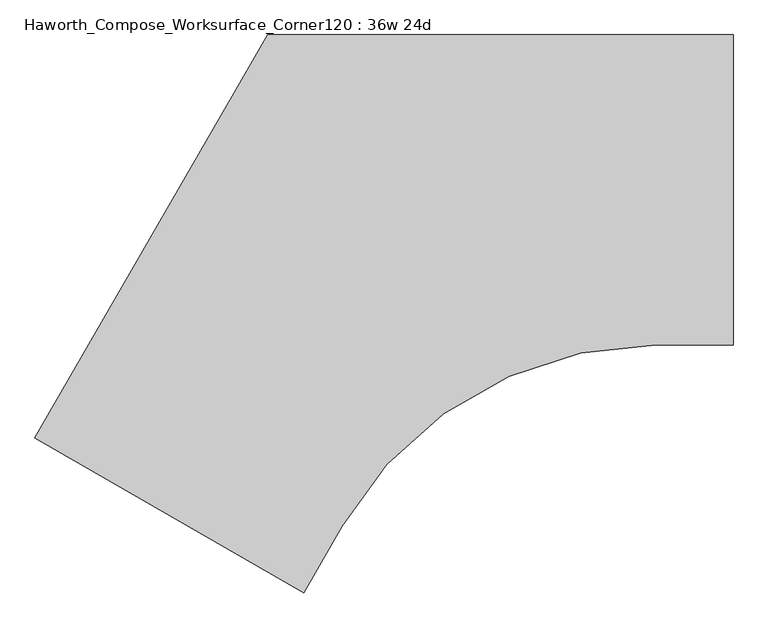
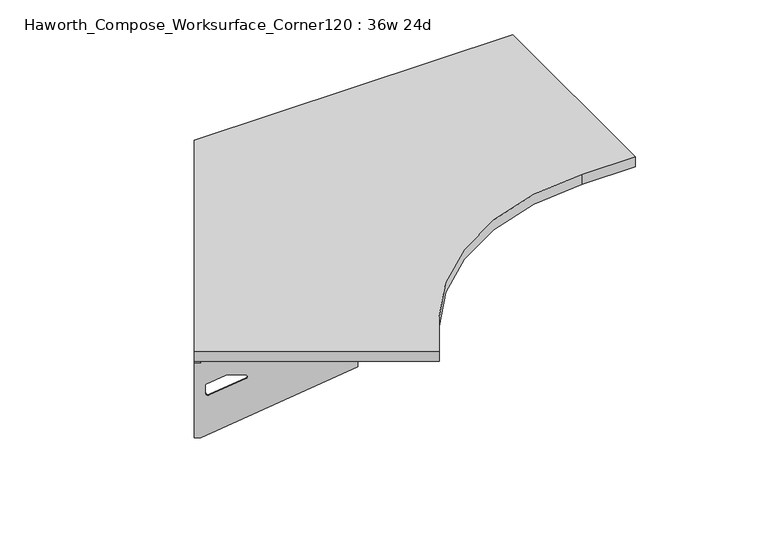
"""IFC4 building model written with IfcOpenShell, lengths in millimetres: furniture geometry, Haworth_Compose_Worksurface_Corner120 : 36w 24d."""

from ifc_helpers import new_model, si_unit, point, frame, frame_2d, origin, place, context, project, spatial, polyline, circle_curve, trimmed, segment, composite_curve, outline, extrude, source, transform, mapped, element, save
from ifc_brep_helpers import plane_surface, revolved_surface, advanced_brep


def haworth_compose_worksurface_corner120_36w_24d_b1cb4fd3(model_context):
    return source(origin(), model_context, "Body", "SolidModel", [
        advanced_brep(
        [(150.01875, 304.8, 473.86875), (150.01875, 288.925, 473.86875), (150.01875, -101.6, 690.1317568), (150.01875, -101.6, 702.46875), (150.01875, 288.925, 702.46875), (150.01875, 304.8, 702.46875), (150.01875, 221.490072, 664.36875), (150.01875, 177.8355284, 664.36875), (150.01875, 175.1564235, 654.7830539), (150.01875, 266.8776173, 603.9901439), (150.01875, 276.225, 609.5881969), (150.01875, 276.225, 633.0985246), (150.01875, 274.4730055, 635.9367776), (150.01875, 224.5663437, 663.5738425), (152.4, 304.8, 473.86875), (152.4, 304.8, 702.46875), (152.4, 288.925, 702.46875), (152.4, 288.925, 704.85), (152.4, -101.6, 704.85), (152.4, -101.6, 690.1317568), (152.4, 288.925, 473.86875), (152.4, 221.490072, 664.36875), (152.4, 224.5663437, 663.5738425), (152.4, 274.4730055, 635.9367776), (152.4, 276.225, 633.0985246), (152.4, 276.225, 609.5881969), (152.4, 266.8776173, 603.9901439), (152.4, 175.1564235, 654.7830539), (152.4, 177.8355284, 664.36875), (111.125, -101.6, 704.85), (111.125, -101.6, 702.46875), (111.125, 288.925, 702.46875), (111.125, 288.925, 704.85)],
        [
            (0, 1),
            (1, 2),
            (2, 3),
            (3, 4),
            (4, 5),
            (5, 0),
            (6, 7),
            (7, 8, circle_curve(frame((150.01875, 177.8355284, 659.2015106), z_axis=(1.0, 0.0, 0.0), x_axis=(0.0, -1.0, 0.0)), 5.1672394)),
            (8, 9),
            (9, 10, circle_curve(frame((150.01875, 269.875, 609.5881969), z_axis=(1.0, 0.0, 0.0), x_axis=(0.0, -1.0, 0.0)), 6.35)),
            (10, 11),
            (11, 12, circle_curve(frame((150.01875, 273.05, 633.0985246), z_axis=(1.0, 0.0, 0.0), x_axis=(0.0, -1.0, 0.0)), 3.175)),
            (12, 13),
            (13, 6, circle_curve(frame((150.01875, 221.490072, 658.01875), z_axis=(1.0, 0.0, 0.0), x_axis=(0.0, -1.0, 0.0)), 6.35)),
            (14, 15),
            (15, 16),
            (16, 17),
            (17, 18),
            (18, 19),
            (19, 20),
            (20, 14),
            (21, 22, circle_curve(frame((152.4, 221.490072, 658.01875), z_axis=(-1.0, 0.0, 0.0), x_axis=(0.0, -1.0, 0.0)), 6.35)),
            (22, 23),
            (23, 24, circle_curve(frame((152.4, 273.05, 633.0985246), z_axis=(-1.0, 0.0, 0.0), x_axis=(0.0, -1.0, 0.0)), 3.175)),
            (24, 25),
            (25, 26, circle_curve(frame((152.4, 269.875, 609.5881969), z_axis=(-1.0, 0.0, 0.0), x_axis=(0.0, -1.0, 0.0)), 6.35)),
            (26, 27),
            (27, 28, circle_curve(frame((152.4, 177.8355284, 659.2015106), z_axis=(-1.0, 0.0, 0.0), x_axis=(0.0, -1.0, 0.0)), 5.1672394)),
            (28, 21),
            (4, 16),
            (15, 5),
            (14, 0),
            (20, 1),
            (19, 2),
            (18, 29),
            (29, 30),
            (30, 3),
            (6, 21),
            (28, 7),
            (9, 26),
            (25, 10),
            (24, 11),
            (23, 12),
            (27, 8),
            (31, 4),
            (30, 31),
            (32, 29),
            (17, 32),
            (31, 32),
            (22, 13),
        ],
        [
            plane_surface(frame((150.01875, 304.8, 473.86875), z_axis=(-1.0, 0.0, 0.0), x_axis=(0.0, 1.0, 0.0))),
            plane_surface(frame((152.4, 304.8, 473.86875), z_axis=(1.0, 0.0, 0.0), x_axis=(0.0, -1.0, 0.0))),
            plane_surface(frame((152.4, -101.6, 702.46875), z_axis=(0.0, 0.0, 1.0), x_axis=(-1.0, 0.0, 0.0))),
            plane_surface(frame((152.4, 304.8, 702.46875), z_axis=(0.0, 1.0, 0.0), x_axis=(-1.0, 0.0, 0.0))),
            plane_surface(frame((152.4, 304.8, 473.86875), z_axis=(0.0, 0.0, -1.0), x_axis=(-1.0, 0.0, 0.0))),
            plane_surface(frame((152.4, 288.925, 473.86875), z_axis=(0.0, -0.4844522351345575, -0.8748177135112957), x_axis=(-1.0, 0.0, 0.0))),
            plane_surface(frame((152.4, -101.6, 690.1317568), z_axis=(0.0, -1.0, 0.0), x_axis=(-1.0, 0.0, 0.0))),
            plane_surface(frame((152.4, 221.490072, 664.36875), z_axis=(0.0, 0.0, -1.0), x_axis=(-1.0, 0.0, 0.0))),
            revolved_surface(polyline([(150.01875, 263.525, 609.5881969), (152.4, 263.525, 609.5881969)]), (152.4, 269.875, 609.5881969), (-1.0, 0.0, 0.0)),
            plane_surface(frame((152.4, 276.225, 609.5881969), z_axis=(0.0, -1.0, 0.0), x_axis=(-1.0, 0.0, 0.0))),
            revolved_surface(polyline([(150.01875, 269.875, 633.0985246), (152.4, 269.875, 633.0985246)]), (152.4, 273.05, 633.0985246), (-1.0, 0.0, 0.0)),
            revolved_surface(polyline([(150.01875, 172.668289, 659.2015106), (152.4, 172.668289, 659.2015106)]), (152.4, 177.8355284, 659.2015106), (-1.0, 0.0, 0.0)),
            plane_surface(frame((152.4, 288.925, 702.46875), z_axis=(0.0, 0.0, -1.0), x_axis=(-1.0, 0.0, 0.0))),
            plane_surface(frame((152.4, 288.925, 704.85), z_axis=(0.0, 0.0, 1.0), x_axis=(1.0, 0.0, 0.0))),
            plane_surface(frame((111.125, 288.925, 704.85), z_axis=(0.0, 1.0, 0.0), x_axis=(0.0, 0.0, -1.0))),
            plane_surface(frame((111.125, -101.6, 704.85), z_axis=(-1.0, 0.0, 0.0), x_axis=(0.0, 0.0, -1.0))),
            plane_surface(frame((152.4, 175.1564235, 654.7830539), z_axis=(0.0, 0.4844522351341526, 0.8748177135115199), x_axis=(-1.0, 0.0, 0.0))),
            plane_surface(frame((152.4, 274.4730055, 635.9367776), z_axis=(0.0, -0.48445223513456226, -0.874817713511293), x_axis=(-1.0, 0.0, 0.0))),
            revolved_surface(polyline([(150.01875, 215.140072, 658.01875), (152.4, 215.140072, 658.01875)]), (152.4, 221.490072, 658.01875), (-1.0, 0.0, 0.0)),
        ],
        [
            (0, [[1, 2, 3, 4, 5, 6], [7, 8, 9, 10, 11, 12, 13, 14]]),
            (1, [[15, 16, 17, 18, 19, 20, 21], [22, 23, 24, 25, 26, 27, 28, 29]]),
            (2, [[-5, 30, -16, 31]]),
            (3, [[-31, -15, 32, -6]]),
            (4, [[-32, -21, 33, -1]]),
            (5, [[-33, -20, 34, -2]]),
            (6, [[-34, -19, 35, 36, 37, -3]]),
            (7, [[38, -29, 39, -7]]),
            (8, [[40, -26, 41, -10]]),
            (9, [[-41, -25, 42, -11]]),
            (10, [[-42, -24, 43, -12]]),
            (11, [[-39, -28, 44, -8]]),
            (12, [[45, -4, -37, 46]]),
            (13, [[47, -35, -18, 48]]),
            (14, [[-17, -30, -45, 49, -48]]),
            (15, [[-36, -47, -49, -46]]),
            (16, [[-44, -27, -40, -9]]),
            (17, [[-43, -23, 50, -13]]),
            (18, [[-50, -22, -38, -14]]),
        ],
    ),
        advanced_brep(
        [(-1218.009375, -485.0314062, 473.86875), (-1218.009375, -485.0314062, 702.46875), (-1204.2612217, -492.9689062, 702.46875), (-866.0566509, -688.2314062, 702.46875), (-866.0566509, -688.2314062, 690.1317568), (-1204.2612217, -492.9689062, 473.86875), (-1145.860861, -526.6863702, 664.36875), (-1148.5249904, -525.1482344, 663.5738425), (-1191.7454274, -500.1949035, 635.9367776), (-1193.2626991, -499.3189062, 633.0985246), (-1193.2626991, -499.3189062, 609.5881969), (-1185.1676282, -503.9925976, 603.9901439), (-1105.7347443, -549.8531945, 654.7830539), (-1108.0549172, -548.513642, 664.36875), (-1219.2, -487.0936292, 473.86875), (-1205.4518467, -495.0311292, 473.86875), (-867.2472759, -690.2936292, 690.1317568), (-867.2472759, -690.2936292, 704.85), (-1205.4518467, -495.0311292, 704.85), (-1205.4518467, -495.0311292, 702.46875), (-1219.2, -487.0936292, 702.46875), (-1147.051486, -528.7485932, 664.36875), (-1109.2455422, -550.575865, 664.36875), (-1106.9253693, -551.9154175, 654.7830539), (-1186.3582532, -506.0548206, 603.9901439), (-1194.4533241, -501.3811292, 609.5881969), (-1194.4533241, -501.3811292, 633.0985246), (-1192.9360524, -502.2571265, 635.9367776), (-1149.7156154, -527.2104574, 663.5738425), (-846.6097759, -654.5484307, 702.46875), (-846.6097759, -654.5484307, 704.85), (-1184.8143467, -459.2859307, 702.46875), (-1184.8143467, -459.2859307, 704.85)],
        [
            (0, 1),
            (1, 2),
            (2, 3),
            (3, 4),
            (4, 5),
            (5, 0),
            (6, 7, circle_curve(frame((-1145.860861, -526.6863702, 658.01875), z_axis=(-0.5000000000000026, -0.8660254037844374, 0.0), x_axis=(0.8660254037844372, -0.5000000000000024, 0.0)), 6.35)),
            (7, 8),
            (8, 9, circle_curve(frame((-1190.5130684, -500.9064062, 633.0985246), z_axis=(-0.5000000000000026, -0.8660254037844374, 0.0), x_axis=(0.8660254037844372, -0.5000000000000024, 0.0)), 3.175)),
            (9, 10),
            (10, 11, circle_curve(frame((-1187.7634378, -502.4939062, 609.5881969), z_axis=(-0.5000000000000026, -0.8660254037844374, 0.0), x_axis=(0.8660254037844372, -0.5000000000000024, 0.0)), 6.35)),
            (11, 12),
            (12, 13, circle_curve(frame((-1108.0549172, -548.513642, 659.2015106), z_axis=(-0.5000000000000026, -0.8660254037844374, 0.0), x_axis=(0.8660254037844372, -0.5000000000000024, 0.0)), 5.1672394)),
            (13, 6),
            (14, 15),
            (15, 16),
            (16, 17),
            (17, 18),
            (18, 19),
            (19, 20),
            (20, 14),
            (21, 22),
            (22, 23, circle_curve(frame((-1109.2455422, -550.575865, 659.2015106), z_axis=(0.5000000000000026, 0.8660254037844374, 0.0), x_axis=(0.8660254037844372, -0.5000000000000024, 0.0)), 5.1672394)),
            (23, 24),
            (24, 25, circle_curve(frame((-1188.9540628, -504.5561292, 609.5881969), z_axis=(0.5000000000000026, 0.8660254037844374, 0.0), x_axis=(0.8660254037844372, -0.5000000000000024, 0.0)), 6.35)),
            (25, 26),
            (26, 27, circle_curve(frame((-1191.7036934, -502.9686292, 633.0985246), z_axis=(0.5000000000000026, 0.8660254037844374, 0.0), x_axis=(0.8660254037844372, -0.5000000000000024, 0.0)), 3.175)),
            (27, 28),
            (28, 21, circle_curve(frame((-1147.051486, -528.7485932, 658.01875), z_axis=(0.5000000000000026, 0.8660254037844374, 0.0), x_axis=(0.8660254037844372, -0.5000000000000024, 0.0)), 6.35)),
            (1, 20),
            (19, 2),
            (0, 14),
            (5, 15),
            (4, 16),
            (3, 29),
            (29, 30),
            (30, 17),
            (13, 22),
            (21, 6),
            (10, 25),
            (24, 11),
            (9, 26),
            (8, 27),
            (12, 23),
            (31, 29),
            (2, 31),
            (32, 18),
            (30, 32),
            (32, 31),
            (7, 28),
        ],
        [
            plane_surface(frame((-1218.009375, -485.0314062, 473.86875), z_axis=(0.5000000000000026, 0.8660254037844373, 0.0), x_axis=(-0.8660254037844373, 0.5000000000000026, 0.0))),
            plane_surface(frame((-1219.2, -487.0936292, 473.86875), z_axis=(-0.5000000000000026, -0.8660254037844373, 0.0), x_axis=(0.8660254037844373, -0.5000000000000026, 0.0))),
            plane_surface(frame((-867.2472759, -690.2936292, 702.46875), z_axis=(0.0, 0.0, 1.0), x_axis=(0.5000000000000011, 0.866025403784438, 0.0))),
            plane_surface(frame((-1219.2, -487.0936292, 702.46875), z_axis=(-0.866025403784438, 0.5000000000000011, 0.0), x_axis=(0.5000000000000011, 0.866025403784438, 0.0))),
            plane_surface(frame((-1219.2, -487.0936292, 473.86875), z_axis=(0.0, 0.0, -1.0), x_axis=(0.5000000000000011, 0.866025403784438, 0.0))),
            plane_surface(frame((-1205.4518467, -495.0311292, 473.86875), z_axis=(0.41954794254667943, -0.24222611756727808, -0.8748177135112957), x_axis=(0.5000000000000011, 0.866025403784438, 0.0))),
            plane_surface(frame((-867.2472759, -690.2936292, 690.1317568), z_axis=(0.866025403784438, -0.5000000000000011, 0.0), x_axis=(0.5000000000000011, 0.866025403784438, 0.0))),
            plane_surface(frame((-1147.051486, -528.7485932, 664.36875), z_axis=(0.0, 0.0, -1.0), x_axis=(0.5000000000000011, 0.866025403784438, 0.0))),
            revolved_surface(polyline([(-1182.2641764793268, -505.66890619573394, 609.5881969), (-1183.4548014983855, -507.7311292215063, 609.5881969)]), (-1188.9540628, -504.5561292, 609.5881969), (0.5000000000000024, 0.8660254037844372, 0.0)),
            plane_surface(frame((-1194.4533241, -501.3811292, 609.5881969), z_axis=(0.866025403784438, -0.5000000000000011, 0.0), x_axis=(0.5000000000000011, 0.866025403784438, 0.0))),
            revolved_surface(polyline([(-1187.7634377398501, -502.49390620180964, 633.0985246), (-1188.954062786454, -504.5561292752913, 633.0985246)]), (-1191.7036934, -502.9686292, 633.0985246), (0.5000000000000024, 0.8660254037844372, 0.0)),
            revolved_surface(polyline([(-1103.57995660903, -551.0972617018095, 659.2015106), (-1104.7705816345158, -553.1594847387139, 659.2015106)]), (-1109.2455422, -550.575865, 659.2015106), (0.5000000000000024, 0.8660254037844372, 0.0)),
            plane_surface(frame((-1205.4518467, -495.0311292, 702.46875), z_axis=(0.0, 0.0, -1.0), x_axis=(0.5000000000000011, 0.866025403784438, 0.0))),
            plane_surface(frame((-1205.4518467, -495.0311292, 704.85), z_axis=(0.0, 0.0, 1.0), x_axis=(-0.5000000000000011, -0.866025403784438, 0.0))),
            plane_surface(frame((-1184.8143467, -459.2859307, 704.85), z_axis=(-0.866025403784438, 0.5000000000000011, 0.0), x_axis=(0.0, 0.0, -1.0))),
            plane_surface(frame((-846.6097759, -654.5484307, 704.85), z_axis=(0.5000000000000011, 0.866025403784438, 0.0), x_axis=(0.0, 0.0, -1.0))),
            plane_surface(frame((-1106.9253693, -551.9154175, 654.7830539), z_axis=(-0.41954794254632877, 0.24222611756707563, 0.87481771351152), x_axis=(0.5000000000000011, 0.866025403784438, 0.0))),
            plane_surface(frame((-1192.9360524, -502.2571265, 635.9367776), z_axis=(0.4195479425466836, -0.24222611756728046, -0.874817713511293), x_axis=(0.5000000000000011, 0.866025403784438, 0.0))),
            revolved_surface(polyline([(-1140.3615996828346, -529.8613702018097, 658.01875), (-1141.5522246973337, -531.9235932196844, 658.01875)]), (-1147.051486, -528.7485932, 658.01875), (0.5000000000000024, 0.8660254037844372, 0.0)),
        ],
        [
            (0, [[1, 2, 3, 4, 5, 6], [7, 8, 9, 10, 11, 12, 13, 14]]),
            (1, [[15, 16, 17, 18, 19, 20, 21], [22, 23, 24, 25, 26, 27, 28, 29]]),
            (2, [[30, -20, 31, -2]]),
            (3, [[-1, 32, -21, -30]]),
            (4, [[-6, 33, -15, -32]]),
            (5, [[-5, 34, -16, -33]]),
            (6, [[-4, 35, 36, 37, -17, -34]]),
            (7, [[-14, 38, -22, 39]]),
            (8, [[-11, 40, -25, 41]]),
            (9, [[-10, 42, -26, -40]]),
            (10, [[-9, 43, -27, -42]]),
            (11, [[-13, 44, -23, -38]]),
            (12, [[45, -35, -3, 46]]),
            (13, [[47, -18, -37, 48]]),
            (14, [[-47, 49, -46, -31, -19]]),
            (15, [[-45, -49, -48, -36]]),
            (16, [[-12, -41, -24, -44]]),
            (17, [[-8, 50, -28, -43]]),
            (18, [[-7, -39, -29, -50]]),
        ],
    ),
        extrude(outline(composite_curve([segment(polyline([(-1219.2, -487.0936292), (-762.0, 304.8), (152.4, 304.8), (152.4, -304.8), (0.5642355, -304.8)]), True, "CONTINUOUS"), segment(trimmed(circle_curve(frame_2d((0.5642355, -1016.0)), 711.2), [point((0.5642355, -304.8))], [point((-615.3530316, -660.4))], True, "CARTESIAN"), True, "CONTINUOUS"), segment(polyline([(-615.3530316, -660.4), (-691.2709139, -791.8936292), (-1219.2, -487.0936292)]), True, "CONTINUOUS")], self_intersect=False)), frame((0.0, 0.0, 706.4375), z_axis=(0.0, 0.0, 1.0), x_axis=(1.0, 0.0, 0.0)), (0.0, 0.0, 1.0), 30.1625),
    ])


if __name__ == "__main__":
    model = new_model("IFC4")
    model_context = context("Model", 3, world=origin())
    ifc_project = project(units=[si_unit("LENGTHUNIT", "METRE", prefix="MILLI")], contexts=[model_context])
    site = spatial("IfcSite", under=ifc_project)
    building = spatial("IfcBuilding", under=site)
    placement = place(None, origin())
    haworth_compose_worksurface_corner120_36w_24d_shape = haworth_compose_worksurface_corner120_36w_24d_b1cb4fd3(model_context)
    element("IfcFurniture", 1, ObjectType="Haworth_Compose_Worksurface_Corner120 : 36w 24d", at=placement, inside=building, context=model_context, shape_type="MappedRepresentation", body=[
        mapped(haworth_compose_worksurface_corner120_36w_24d_shape, transform((0.0, 0.0, 0.0), x_axis=(1.0, 0.0, 0.0), y_axis=(0.0, 1.0, 0.0), z_axis=(0.0, 0.0, 1.0))),
    ])
    save(model, "model.ifc")
